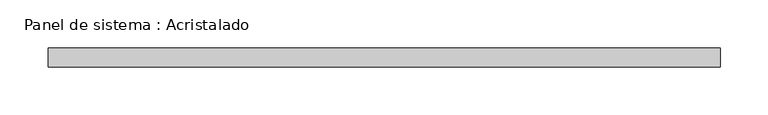
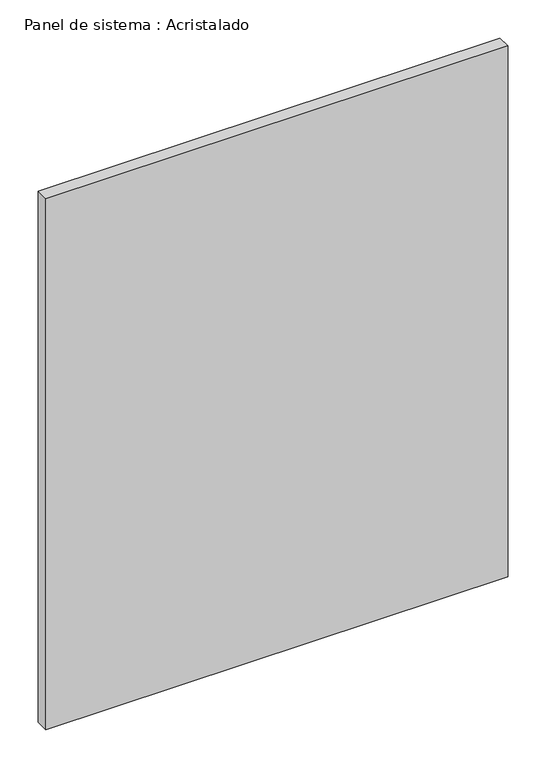
"""IFC4 building model written with IfcOpenShell, lengths in millimetres: plate geometry, Panel de sistema : Acristalado."""

from ifc_helpers import new_model, si_unit, origin, origin_with_axes, place, context, project, spatial, polyline, outline, extrude, source, transform, mapped, element, save


def panel_de_sistema_acristalado_3acacc32(model_context):
    return source(origin(), model_context, "Body", "SweptSolid", [
        extrude(outline(polyline([(350.0, -10.0), (-350.0, -10.0), (-350.0, 10.0), (350.0, 10.0), (350.0, -10.0)])), origin_with_axes(), (0.0, 0.0, 1.0), 850.0),
    ])


if __name__ == "__main__":
    model = new_model("IFC4")
    model_context = context("Model", 3, world=origin())
    ifc_project = project(units=[si_unit("LENGTHUNIT", "METRE", prefix="MILLI")], contexts=[model_context])
    site = spatial("IfcSite", under=ifc_project)
    building = spatial("IfcBuilding", under=site)
    placement = place(None, origin())
    panel_de_sistema_acristalado_shape = panel_de_sistema_acristalado_3acacc32(model_context)
    element("IfcPlate", 1, ObjectType="Panel de sistema : Acristalado", at=placement, inside=building, context=model_context, shape_type="MappedRepresentation", body=[
        mapped(panel_de_sistema_acristalado_shape, transform((0.0, 0.0, 0.0), x_axis=(1.0, 0.0, 0.0), y_axis=(0.0, 1.0, 0.0), z_axis=(0.0, 0.0, 1.0))),
    ])
    save(model, "model.ifc")
